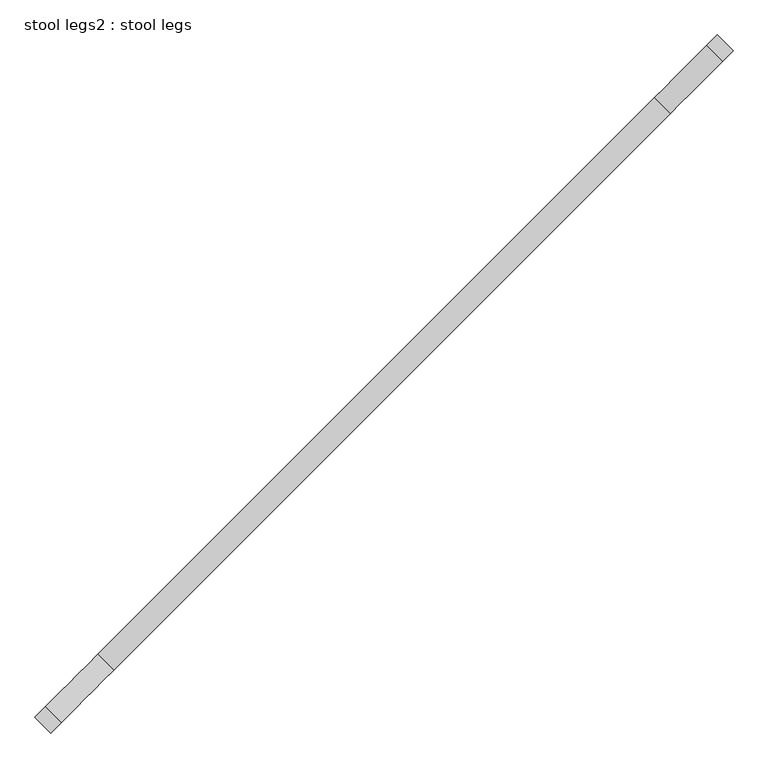
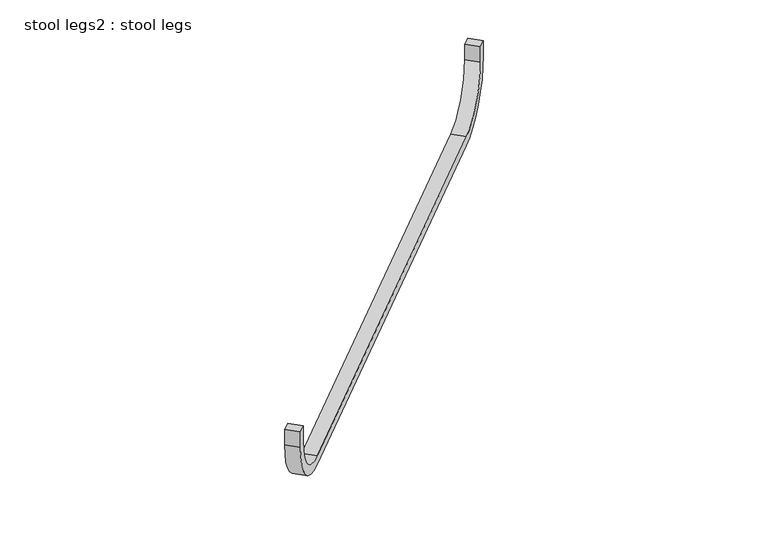
"""IFC4 building model written with IfcOpenShell, lengths in millimetres: furniture geometry, stool legs2 : stool legs."""

from ifc_helpers import new_model, si_unit, point, frame, frame_2d, origin, place, context, project, spatial, polyline, circle_curve, trimmed, segment, composite_curve, outline, extrude, source, transform, mapped, element, save


def stool_legs2_stool_legs_1a960d56(model_context):
    return source(origin(), model_context, "Body", "SweptSolid", [
        extrude(outline(composite_curve([segment(polyline([(0.0, 254.0), (-44.45, 254.0), (-44.45, 279.3999999), (0.0, 279.3999999)]), True, "CONTINUOUS"), segment(trimmed(circle_curve(frame_2d((0.0, 127.0)), 152.4), [point((0.0, 279.3999999))], [point((152.4, 127.0))], False, "CARTESIAN"), True, "CONTINUOUS"), segment(polyline([(152.4, 127.0), (152.4, -1219.2)]), True, "CONTINUOUS"), segment(trimmed(circle_curve(frame_2d((0.0, -1219.2)), 152.4), [point((152.4, -1219.2))], [point((0.0, -1371.6))], False, "CARTESIAN"), True, "CONTINUOUS"), segment(polyline([(0.0, -1371.6), (-44.45, -1371.6), (-44.45, -1346.2000001), (0.0, -1346.2000001)]), True, "CONTINUOUS"), segment(trimmed(circle_curve(frame_2d((0.0, -1219.2)), 127.0), [point((0.0, -1346.2000001))], [point((127.0, -1219.2))], True, "CARTESIAN"), True, "CONTINUOUS"), segment(polyline([(127.0, -1219.2), (127.0, 127.0)]), True, "CONTINUOUS"), segment(trimmed(circle_curve(frame_2d((0.0, 127.0)), 127.0), [point((127.0, 127.0))], [point((0.0, 254.0))], True, "CARTESIAN"), True, "CONTINUOUS")], self_intersect=False)), frame((1958.5480463, 21677.8106959, 412.75), z_axis=(-0.7071067811865264, 0.7071067811865687, 0.0), x_axis=(0.0, 0.0, -1.0)), (0.0, 0.0, 1.0), 38.1),
    ])


if __name__ == "__main__":
    model = new_model("IFC4")
    model_context = context("Model", 3, world=origin())
    ifc_project = project(units=[si_unit("LENGTHUNIT", "METRE", prefix="MILLI")], contexts=[model_context])
    site = spatial("IfcSite", under=ifc_project)
    building = spatial("IfcBuilding", under=site)
    placement = place(None, origin())
    stool_legs2_stool_legs_shape = stool_legs2_stool_legs_1a960d56(model_context)
    element("IfcFurniture", 1, ObjectType="stool legs2 : stool legs", at=placement, inside=building, context=model_context, shape_type="MappedRepresentation", body=[
        mapped(stool_legs2_stool_legs_shape, transform((0.0, 0.0, 0.0), x_axis=(1.0, 0.0, 0.0), y_axis=(0.0, 1.0, 0.0), z_axis=(0.0, 0.0, 1.0))),
    ])
    save(model, "model.ifc")
